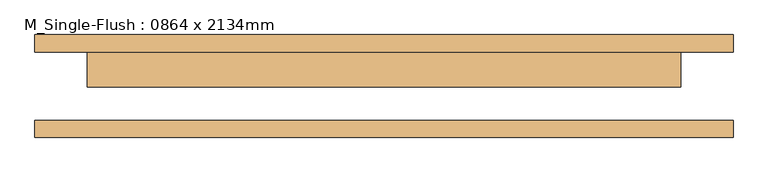
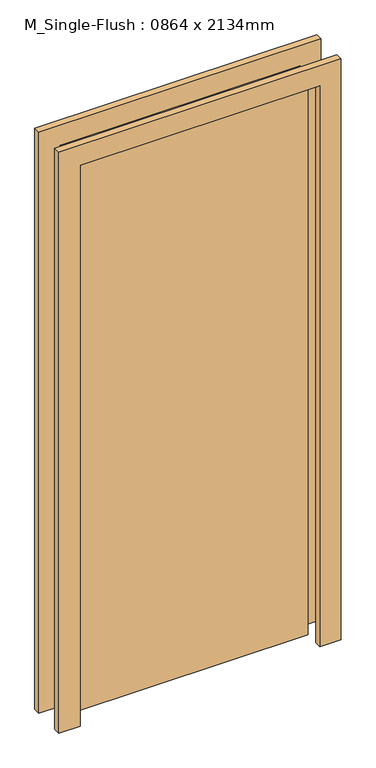
"""IFC4 building model written with IfcOpenShell, lengths in millimetres: door geometry, M_Single-Flush : 0864 x 2134mm."""

from ifc_helpers import new_model, si_unit, frame, origin, origin_with_axes, place, context, project, spatial, polyline, outline, extrude, source, transform, mapped, element, save


def m_single_flush_0864_x_2134mm_3838e64d(model_context):
    return source(origin(), model_context, "Body", "SweptSolid", [
        extrude(outline(polyline([(2210.0, -508.0), (0.0, -508.0), (0.0, -432.0), (2134.0, -432.0), (2134.0, 432.0), (0.0, 432.0), (0.0, 508.0), (2210.0, 508.0), (2210.0, -508.0)])), frame((0.0, 50.0, 0.0), z_axis=(0.0, 1.0, 0.0), x_axis=(0.0, 0.0, 1.0)), (0.0, 0.0, 1.0), 25.0),
        extrude(outline(polyline([(2210.0, 508.0), (2210.0, -508.0), (0.0, -508.0), (0.0, -432.0), (2134.0, -432.0), (2134.0, 432.0), (0.0, 432.0), (0.0, 508.0), (2210.0, 508.0)])), frame((0.0, -75.0, 0.0), z_axis=(0.0, 1.0, 0.0), x_axis=(0.0, 0.0, 1.0)), (0.0, 0.0, 1.0), 25.0),
        extrude(outline(polyline([(432.0, -1.0), (-432.0, -1.0), (-432.0, 50.0), (432.0, 50.0), (432.0, -1.0)])), origin_with_axes(), (0.0, 0.0, 1.0), 2134.0),
    ])


if __name__ == "__main__":
    model = new_model("IFC4")
    model_context = context("Model", 3, world=origin())
    ifc_project = project(units=[si_unit("LENGTHUNIT", "METRE", prefix="MILLI")], contexts=[model_context])
    site = spatial("IfcSite", under=ifc_project)
    building = spatial("IfcBuilding", under=site)
    placement = place(None, origin())
    m_single_flush_0864_x_2134mm_shape = m_single_flush_0864_x_2134mm_3838e64d(model_context)
    element("IfcDoor", 1, ObjectType="M_Single-Flush : 0864 x 2134mm", at=placement, inside=building, context=model_context, shape_type="MappedRepresentation", body=[
        mapped(m_single_flush_0864_x_2134mm_shape, transform((0.0, 0.0, 0.0), x_axis=(1.0, 0.0, 0.0), y_axis=(0.0, 1.0, 0.0), z_axis=(0.0, 0.0, 1.0))),
    ])
    save(model, "model.ifc")
